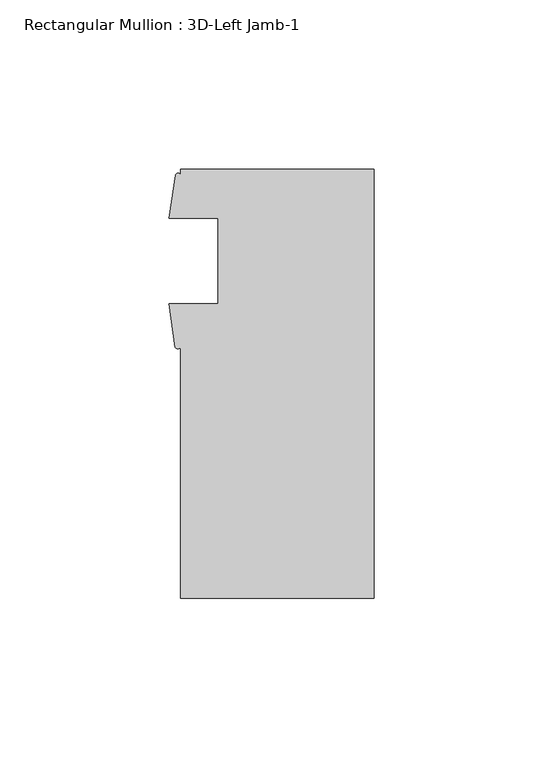
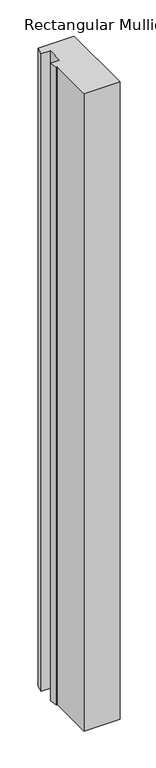
"""IFC4 building model written with IfcOpenShell, lengths in millimetres: member geometry, Rectangular Mullion : 3D-Left Jamb-1."""

from ifc_helpers import new_model, si_unit, point, frame, frame_2d, origin, place, context, project, spatial, polyline, circle_curve, trimmed, segment, composite_curve, outline, extrude, source, transform, mapped, element, save


def rectangular_mullion_3d_left_jamb_1_25c780f5(model_context):
    return source(origin(), model_context, "Body", "SweptSolid", [
        extrude(outline(composite_curve([segment(polyline([(0.0, -73.025), (-57.15, -73.025), (-57.15, 1.2984222)]), True, "CONTINUOUS"), segment(trimmed(circle_curve(frame_2d((-57.9817022, 1.8151635)), 0.9791578), [point((-57.15, 1.2984222))], [point((-58.8134044, 1.2984222))], False, "CARTESIAN"), True, "CONTINUOUS"), segment(polyline([(-58.8134044, 1.2984222), (-60.6695217, 14.071475), (-46.0375, 14.071475), (-46.0375, 39.471475), (-60.546, 39.471475), (-58.7419699, 52.1999093)]), True, "CONTINUOUS"), segment(trimmed(circle_curve(frame_2d((-57.945985, 51.8087445)), 0.8869058), [point((-58.7419699, 52.1999093))], [point((-57.15, 52.1999093))], False, "CARTESIAN"), True, "CONTINUOUS"), segment(polyline([(-57.15, 52.1999093), (-57.15, 53.975), (0.0, 53.975), (0.0, -73.025)]), True, "CONTINUOUS")], self_intersect=False)), frame((0.0, 0.0, -1075.6358933), z_axis=(0.0, 0.0, 1.0), x_axis=(1.0, 0.0, 0.0)), (0.0, 0.0, 1.0), 1075.6358933),
    ])


if __name__ == "__main__":
    model = new_model("IFC4")
    model_context = context("Model", 3, world=origin())
    ifc_project = project(units=[si_unit("LENGTHUNIT", "METRE", prefix="MILLI")], contexts=[model_context])
    site = spatial("IfcSite", under=ifc_project)
    building = spatial("IfcBuilding", under=site)
    placement = place(None, origin())
    rectangular_mullion_3d_left_jamb_1_shape = rectangular_mullion_3d_left_jamb_1_25c780f5(model_context)
    element("IfcMember", 1, ObjectType="Rectangular Mullion : 3D-Left Jamb-1", at=placement, inside=building, context=model_context, shape_type="MappedRepresentation", body=[
        mapped(rectangular_mullion_3d_left_jamb_1_shape, transform((0.0, 0.0, 0.0), x_axis=(1.0, 0.0, 0.0), y_axis=(0.0, 1.0, 0.0), z_axis=(0.0, 0.0, 1.0))),
    ])
    save(model, "model.ifc")
